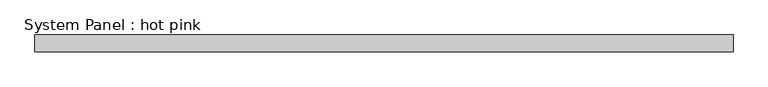
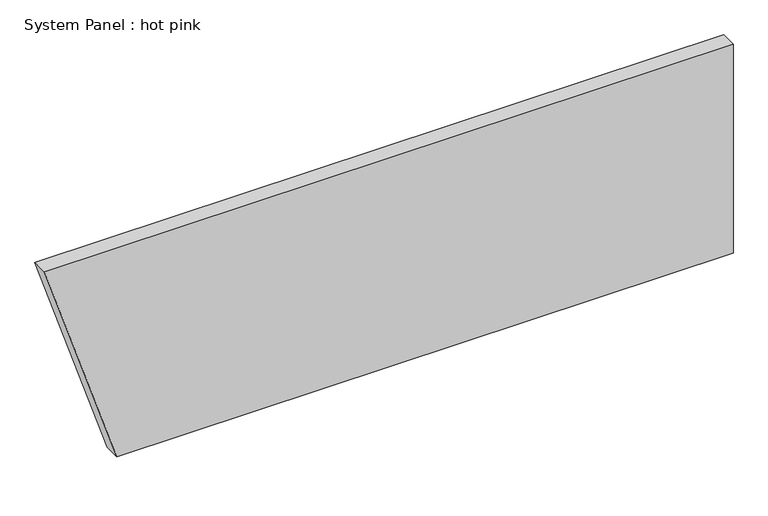
"""IFC4 building model written with IfcOpenShell, lengths in millimetres: plate geometry, System Panel : hot pink."""

from ifc_helpers import new_model, si_unit, frame, origin, place, context, project, spatial, polyline, outline, extrude, source, transform, mapped, element, save


def system_panel_hot_pink_03b70ef5(model_context):
    return source(origin(), model_context, "Body", "SweptSolid", [
        extrude(outline(polyline([(0.0, -1047.7584676), (0.0, 1326.7316526), (850.9, 1326.7316526), (850.9, -1326.7316526), (0.0, -1047.7584676)])), frame((0.0, -44.45, 0.0), z_axis=(0.0, 1.0, 0.0), x_axis=(0.0, 0.0, 1.0)), (0.0, 0.0, 1.0), 63.5),
    ])


if __name__ == "__main__":
    model = new_model("IFC4")
    model_context = context("Model", 3, world=origin())
    ifc_project = project(units=[si_unit("LENGTHUNIT", "METRE", prefix="MILLI")], contexts=[model_context])
    site = spatial("IfcSite", under=ifc_project)
    building = spatial("IfcBuilding", under=site)
    placement = place(None, origin())
    system_panel_hot_pink_shape = system_panel_hot_pink_03b70ef5(model_context)
    element("IfcPlate", 1, ObjectType="System Panel : hot pink", at=placement, inside=building, context=model_context, shape_type="MappedRepresentation", body=[
        mapped(system_panel_hot_pink_shape, transform((0.0, 0.0, 0.0), x_axis=(1.0, 0.0, 0.0), y_axis=(0.0, 1.0, 0.0), z_axis=(0.0, 0.0, 1.0))),
    ])
    save(model, "model.ifc")
